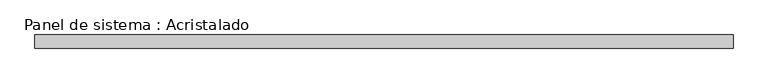
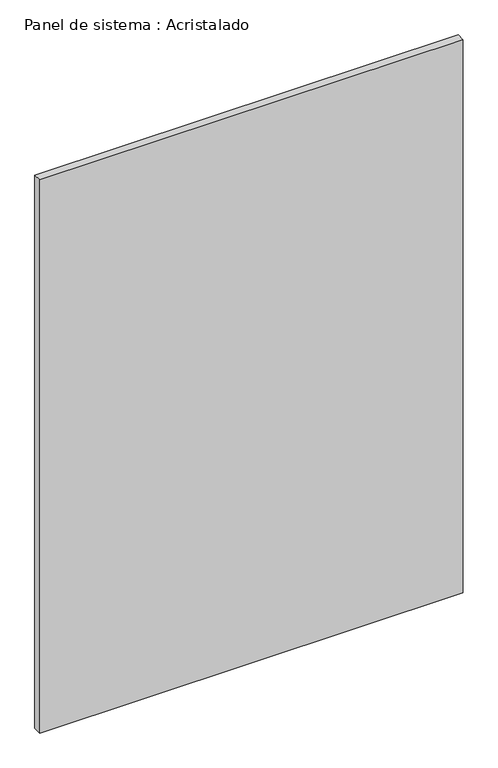
"""IFC4 building model written with IfcOpenShell, lengths in millimetres: plate geometry, Panel de sistema : Acristalado."""

from ifc_helpers import new_model, si_unit, origin, origin_with_axes, place, context, project, spatial, polyline, outline, extrude, source, transform, mapped, element, save


def panel_de_sistema_acristalado_d613b369(model_context):
    return source(origin(), model_context, "Body", "SweptSolid", [
        extrude(outline(polyline([(514.0416339, -10.0), (-514.0416339, -10.0), (-514.0416339, 10.0), (514.0416339, 10.0), (514.0416339, -10.0)])), origin_with_axes(), (0.0, 0.0, 1.0), 1419.2228533),
    ])


if __name__ == "__main__":
    model = new_model("IFC4")
    model_context = context("Model", 3, world=origin())
    ifc_project = project(units=[si_unit("LENGTHUNIT", "METRE", prefix="MILLI")], contexts=[model_context])
    site = spatial("IfcSite", under=ifc_project)
    building = spatial("IfcBuilding", under=site)
    placement = place(None, origin())
    panel_de_sistema_acristalado_shape = panel_de_sistema_acristalado_d613b369(model_context)
    element("IfcPlate", 1, ObjectType="Panel de sistema : Acristalado", at=placement, inside=building, context=model_context, shape_type="MappedRepresentation", body=[
        mapped(panel_de_sistema_acristalado_shape, transform((0.0, 0.0, 0.0), x_axis=(1.0, 0.0, 0.0), y_axis=(0.0, 1.0, 0.0), z_axis=(0.0, 0.0, 1.0))),
    ])
    save(model, "model.ifc")
